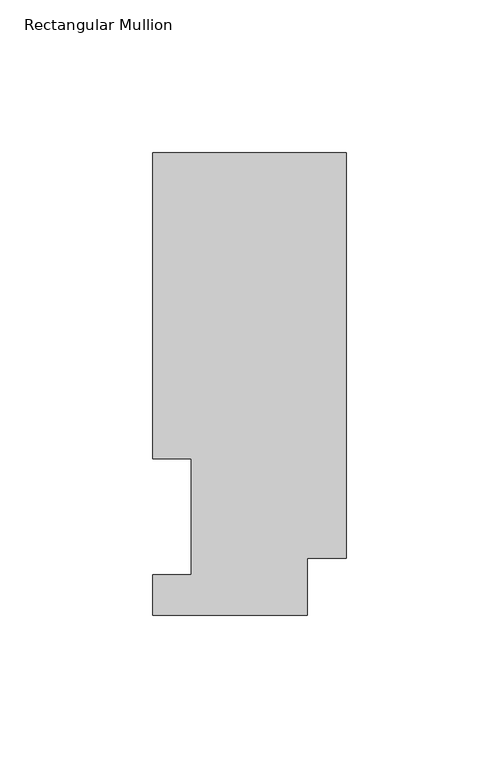
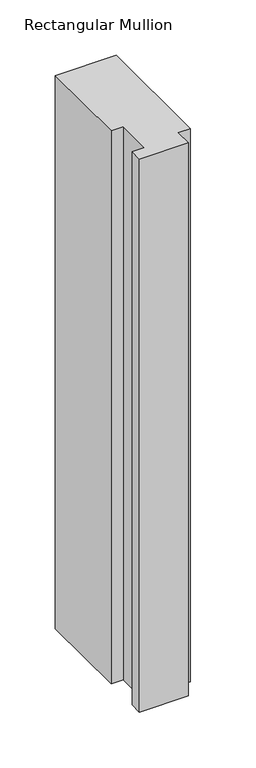
"""IFC4 building model written with IfcOpenShell, lengths in millimetres: member geometry, Rectangular Mullion."""

from ifc_helpers import new_model, si_unit, frame, origin, place, context, project, spatial, polyline, outline, extrude, source, transform, mapped, element, save


def rectangular_mullion_4aa3363a(model_context):
    return source(origin(), model_context, "Body", "SweptSolid", [
        extrude(outline(polyline([(-63.5, 151.7022937), (0.0, 151.7022937), (0.0, 18.7332937), (-12.7, 18.7332937), (-12.7, 0.0134937), (-63.5, 0.0134937), (-63.5, 13.1960938), (-50.8, 13.1960938), (-50.8, 51.2960938), (-63.5, 51.2960937), (-63.5, 151.7022937)])), frame((0.0, 0.0, -609.6), z_axis=(0.0, 0.0, 1.0), x_axis=(1.0, 0.0, 0.0)), (0.0, 0.0, 1.0), 609.6),
    ])


if __name__ == "__main__":
    model = new_model("IFC4")
    model_context = context("Model", 3, world=origin())
    ifc_project = project(units=[si_unit("LENGTHUNIT", "METRE", prefix="MILLI")], contexts=[model_context])
    site = spatial("IfcSite", under=ifc_project)
    building = spatial("IfcBuilding", under=site)
    placement = place(None, origin())
    rectangular_mullion_shape = rectangular_mullion_4aa3363a(model_context)
    element("IfcMember", 1, ObjectType="Rectangular Mullion", at=placement, inside=building, context=model_context, shape_type="MappedRepresentation", body=[
        mapped(rectangular_mullion_shape, transform((0.0, 0.0, 0.0), x_axis=(1.0, 0.0, 0.0), y_axis=(0.0, 1.0, 0.0), z_axis=(0.0, 0.0, 1.0))),
    ])
    save(model, "model.ifc")
